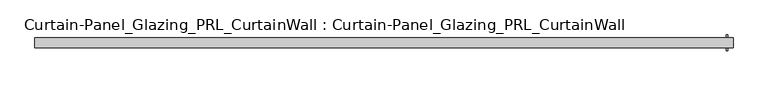
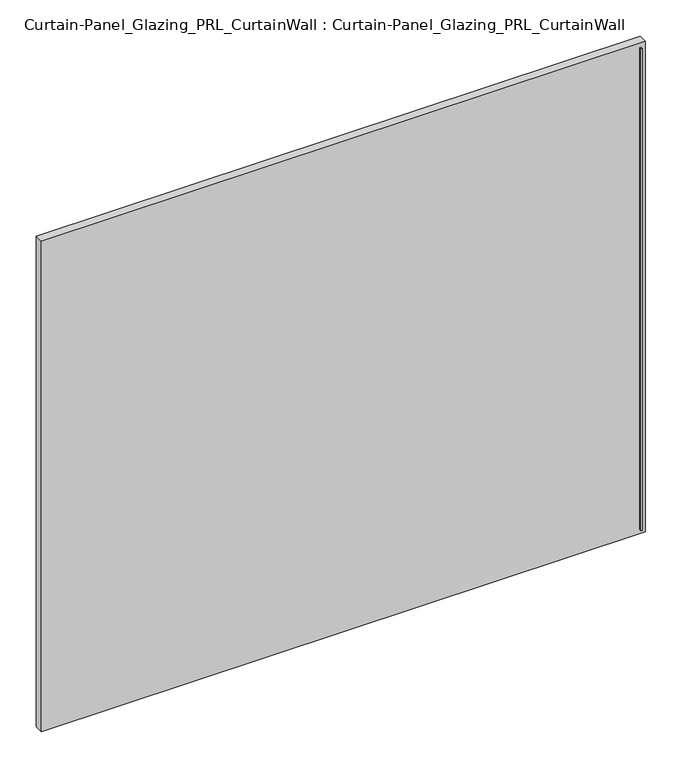
"""IFC4 building model written with IfcOpenShell, lengths in millimetres: plate geometry, Curtain-Panel_Glazing_PRL_CurtainWall : Curtain-Panel_Glazing_PRL_CurtainWall."""

from ifc_helpers import new_model, si_unit, frame, origin, origin_with_axes, place, context, project, spatial, polyline, outline, extrude, source, transform, mapped, element, save


def curtain_panel_glazing_prl_curtainwall_curtain_panel_glazing_c4526fb9(model_context):
    return source(origin(), model_context, "Body", "SweptSolid", [
        extrude(outline(polyline([(838.99375, -19.05), (835.025, -19.05), (835.025, -12.7), (838.99375, -12.7), (838.99375, -19.05)])), frame((0.0, 0.0, 12.7), z_axis=(0.0, 0.0, 1.0), x_axis=(1.0, 0.0, 0.0)), (0.0, 0.0, 1.0), 1436.6875),
        extrude(outline(polyline([(838.99375, 19.05), (838.99375, 12.7), (835.025, 12.7), (835.025, 19.05), (838.99375, 19.05)])), frame((0.0, 0.0, 12.7), z_axis=(0.0, 0.0, 1.0), x_axis=(1.0, 0.0, 0.0)), (0.0, 0.0, 1.0), 1436.6875),
        extrude(outline(polyline([(851.69375, 12.7), (851.69375, -12.7), (-851.69375, -12.7), (-851.69375, 12.7), (851.69375, 12.7)])), origin_with_axes(), (0.0, 0.0, 1.0), 1462.0875),
    ])


if __name__ == "__main__":
    model = new_model("IFC4")
    model_context = context("Model", 3, world=origin())
    ifc_project = project(units=[si_unit("LENGTHUNIT", "METRE", prefix="MILLI")], contexts=[model_context])
    site = spatial("IfcSite", under=ifc_project)
    building = spatial("IfcBuilding", under=site)
    placement = place(None, origin())
    curtain_panel_glazing_prl_curtainwall_curtain_panel_glazing_shape = curtain_panel_glazing_prl_curtainwall_curtain_panel_glazing_c4526fb9(model_context)
    element("IfcPlate", 1, ObjectType="Curtain-Panel_Glazing_PRL_CurtainWall : Curtain-Panel_Glazing_PRL_CurtainWall", at=placement, inside=building, context=model_context, shape_type="MappedRepresentation", body=[
        mapped(curtain_panel_glazing_prl_curtainwall_curtain_panel_glazing_shape, transform((0.0, 0.0, 0.0), x_axis=(1.0, 0.0, 0.0), y_axis=(0.0, 1.0, 0.0), z_axis=(0.0, 0.0, 1.0))),
    ])
    save(model, "model.ifc")
